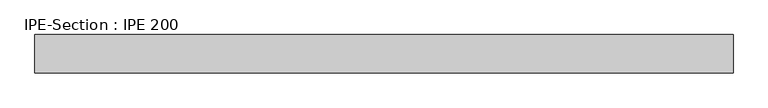
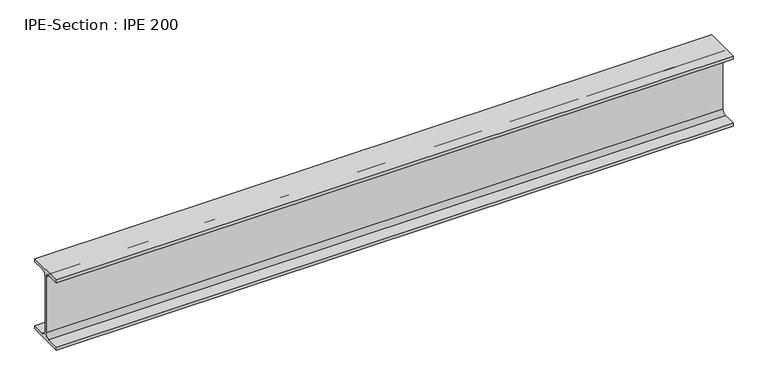
"""IFC4 building model written with IfcOpenShell, lengths in millimetres: beam geometry, IPE-Section : IPE 200."""

from ifc_helpers import new_model, si_unit, point, frame, frame_2d, origin, place, context, project, spatial, polyline, circle_curve, trimmed, segment, composite_curve, outline, extrude, source, transform, mapped, element, save


def ipe_section_ipe_200_0b636602(model_context):
    return source(origin(), model_context, "Body", "SweptSolid", [
        extrude(outline(composite_curve([segment(polyline([(-50.0, -91.5), (-14.8, -91.5)]), True, "CONTINUOUS"), segment(trimmed(circle_curve(frame_2d((-14.8, -79.5)), 12.0), [point((-14.8, -91.5))], [point((-2.8, -79.5))], True, "CARTESIAN"), True, "CONTINUOUS"), segment(polyline([(-2.8, -79.5), (-2.8, 79.5)]), True, "CONTINUOUS"), segment(trimmed(circle_curve(frame_2d((-14.8, 79.5)), 12.0), [point((-2.8, 79.5))], [point((-14.8, 91.5))], True, "CARTESIAN"), True, "CONTINUOUS"), segment(polyline([(-14.8, 91.5), (-50.0, 91.5), (-50.0, 100.0), (50.0, 100.0), (50.0, 91.5), (14.8, 91.5)]), True, "CONTINUOUS"), segment(trimmed(circle_curve(frame_2d((14.8, 79.5)), 12.0), [point((14.8, 91.5))], [point((2.8, 79.5))], True, "CARTESIAN"), True, "CONTINUOUS"), segment(polyline([(2.8, 79.5), (2.8, -79.5)]), True, "CONTINUOUS"), segment(trimmed(circle_curve(frame_2d((14.8, -79.5)), 12.0), [point((2.8, -79.5))], [point((14.8, -91.5))], True, "CARTESIAN"), True, "CONTINUOUS"), segment(polyline([(14.8, -91.5), (50.0, -91.5), (50.0, -100.0), (-50.0, -100.0), (-50.0, -91.5)]), True, "CONTINUOUS")], self_intersect=False)), frame((-893.093288, 0.0, 0.0), z_axis=(1.0, 0.0, 0.0), x_axis=(0.0, 1.0, 0.0)), (0.0, 0.0, 1.0), 1823.2625268),
    ])


if __name__ == "__main__":
    model = new_model("IFC4")
    model_context = context("Model", 3, world=origin())
    ifc_project = project(units=[si_unit("LENGTHUNIT", "METRE", prefix="MILLI")], contexts=[model_context])
    site = spatial("IfcSite", under=ifc_project)
    building = spatial("IfcBuilding", under=site)
    placement = place(None, origin())
    ipe_section_ipe_200_shape = ipe_section_ipe_200_0b636602(model_context)
    element("IfcBeam", 1, ObjectType="IPE-Section : IPE 200", at=placement, inside=building, context=model_context, shape_type="MappedRepresentation", body=[
        mapped(ipe_section_ipe_200_shape, transform((0.0, 0.0, 0.0), x_axis=(1.0, 0.0, 0.0), y_axis=(0.0, 1.0, 0.0), z_axis=(0.0, 0.0, 1.0))),
    ])
    save(model, "model.ifc")
